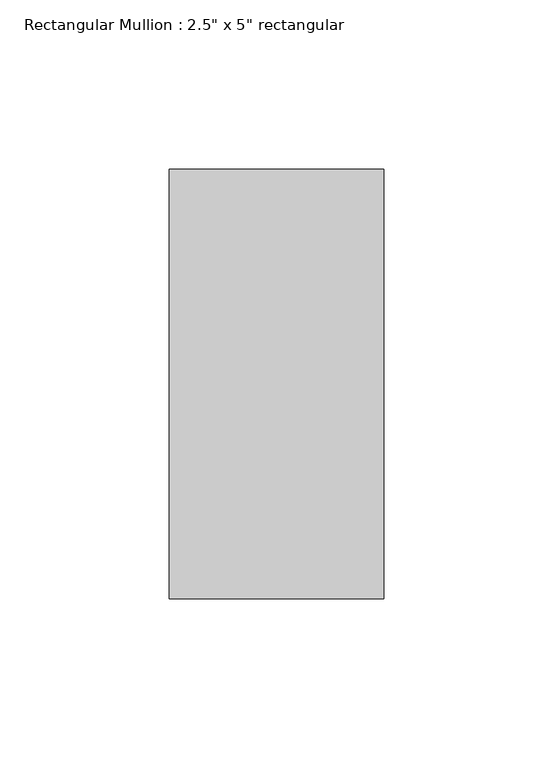
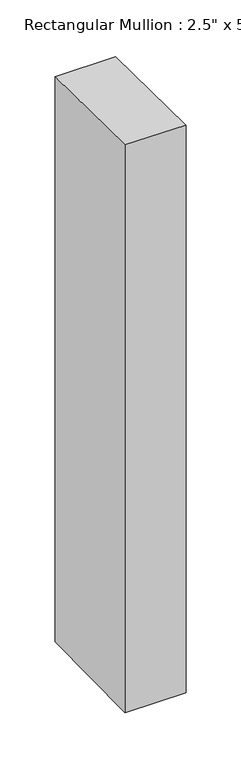
"""IFC4 building model written with IfcOpenShell, lengths in millimetres: member geometry."""

from ifc_helpers import new_model, si_unit, origin, place, context, project, spatial, faceted_brep, source, transform, mapped, element, save


def member_eabdc90d(model_context):
    return source(origin(), model_context, "Body", "Brep", [
        faceted_brep([(-63.5, 63.5, -0.4531993), (0.0, 63.5, -0.6563661), (0.0, 63.5, -625.2459216), (-63.5, 63.5, -625.3022848), (-63.5, -63.5, 0.8595329), (-63.5, -63.5, -626.7742482), (0.0, -63.5, 0.6563661), (0.0, -63.5, -626.717885)], [[[0, 1, 2, 3]], [[4, 0, 3, 5]], [[6, 4, 5, 7]], [[1, 6, 7, 2]], [[1, 0, 4, 6]], [[2, 7, 5, 3]]]),
    ])


if __name__ == "__main__":
    model = new_model("IFC4")
    model_context = context("Model", 3, world=origin())
    ifc_project = project(units=[si_unit("LENGTHUNIT", "METRE", prefix="MILLI")], contexts=[model_context])
    site = spatial("IfcSite", under=ifc_project)
    building = spatial("IfcBuilding", under=site)
    placement = place(None, origin())
    member_shape = member_eabdc90d(model_context)
    element("IfcMember", 1, ObjectType="Rectangular Mullion : 2.5\" x 5\" rectangular", at=placement, inside=building, context=model_context, shape_type="MappedRepresentation", body=[
        mapped(member_shape, transform((0.0, 0.0, 0.0), x_axis=(1.0, 0.0, 0.0), y_axis=(0.0, 1.0, 0.0), z_axis=(0.0, 0.0, 1.0))),
    ])
    save(model, "model.ifc")
